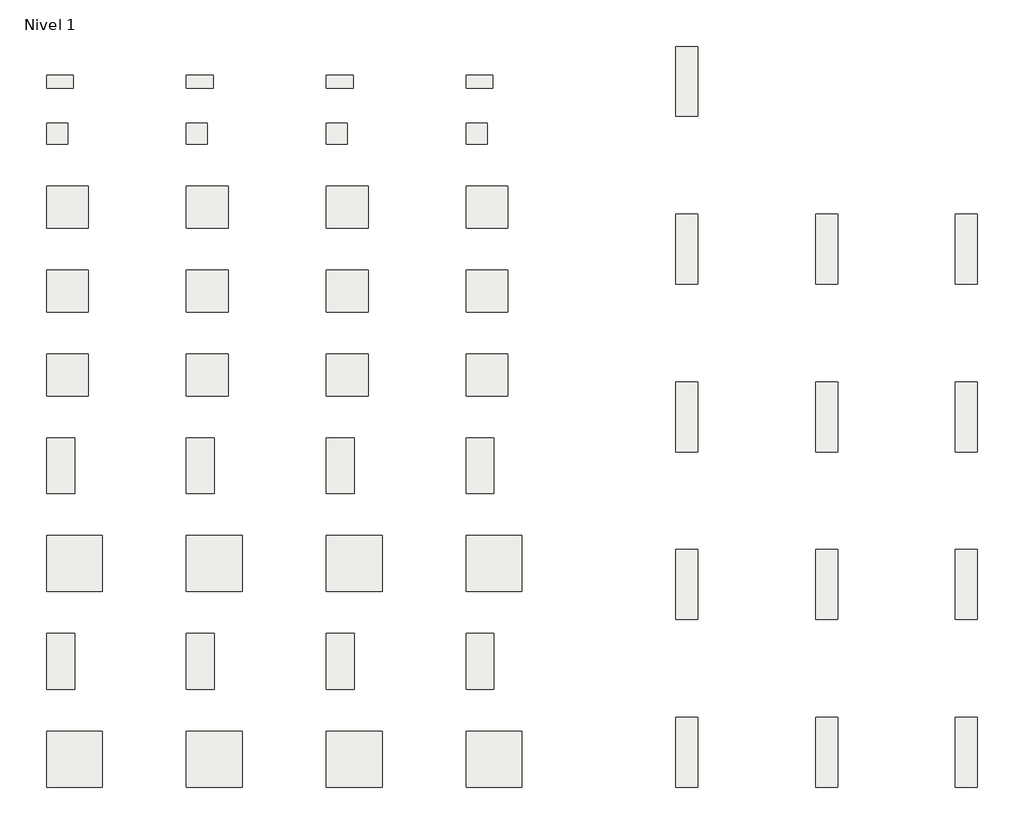
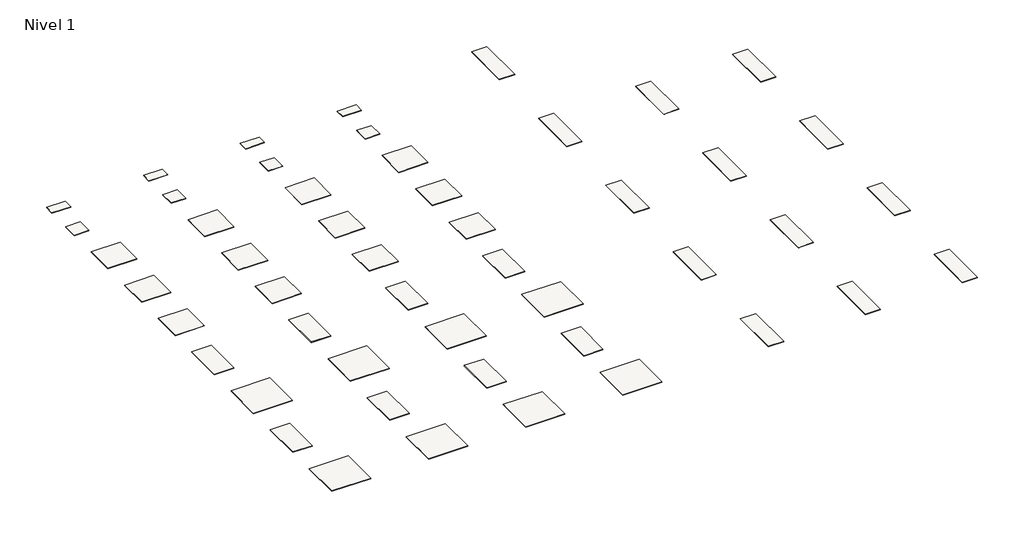
# One storey: 49 slabs.
"""IFC4 building model written with IfcOpenShell, lengths in millimetres."""

from ifc_helpers import new_model, si_unit, frame, origin, place, context, project, spatial, polyline, outline, extrude, element, save

model = new_model("IFC4")

# Units and contexts
model_context = context("Model", 3, world=origin())
ifc_project = project(units=[si_unit("LENGTHUNIT", "METRE", prefix="MILLI")], contexts=[model_context])

# Site, building, storey
site = spatial("IfcSite", under=ifc_project)
building = spatial("IfcBuilding", under=site)
storey = spatial("IfcBuildingStorey", under=building, Name="Nivel 1", Elevation=0.0)

# Slabs
placement = place(None, origin())
element("IfcSlab", 1, at=placement, inside=storey, context=model_context, shape_type="SweptSolid", body=[
    extrude(outline(polyline([(0.0, 192.0), (384.0, 192.0), (384.0, 0.0), (0.0, 0.0), (0.0, 192.0)])), frame((0.0, 0.0, -10.0), z_axis=(0.0, 0.0, 1.0), x_axis=(1.0, 0.0, 0.0)), (0.0, 0.0, 1.0), 10.0),
])
element("IfcSlab", 2, at=placement, inside=storey, context=model_context, shape_type="SweptSolid", body=[
    extrude(outline(polyline([(2000.0, 192.0), (2384.0, 192.0), (2384.0, 0.0), (2000.0, 0.0), (2000.0, 192.0)])), frame((0.0, 0.0, -10.0), z_axis=(0.0, 0.0, 1.0), x_axis=(1.0, 0.0, 0.0)), (0.0, 0.0, 1.0), 10.0),
])
element("IfcSlab", 3, at=placement, inside=storey, context=model_context, shape_type="SweptSolid", body=[
    extrude(outline(polyline([(4000.0, 192.0), (4384.0, 192.0), (4384.0, 0.0), (4000.0, 0.0), (4000.0, 192.0)])), frame((0.0, 0.0, -10.0), z_axis=(0.0, 0.0, 1.0), x_axis=(1.0, 0.0, 0.0)), (0.0, 0.0, 1.0), 10.0),
])
element("IfcSlab", 4, at=placement, inside=storey, context=model_context, shape_type="SweptSolid", body=[
    extrude(outline(polyline([(6000.0, 192.0), (6384.0, 192.0), (6384.0, 0.0), (6000.0, 0.0), (6000.0, 192.0)])), frame((0.0, 0.0, -10.0), z_axis=(0.0, 0.0, 1.0), x_axis=(1.0, 0.0, 0.0)), (0.0, 0.0, 1.0), 10.0),
])
element("IfcSlab", 5, at=placement, inside=storey, context=model_context, shape_type="SweptSolid", body=[
    extrude(outline(polyline([(0.0, -500.0), (300.0, -500.0), (300.0, -800.0), (0.0, -800.0), (0.0, -500.0)])), frame((0.0, 0.0, -10.0), z_axis=(0.0, 0.0, 1.0), x_axis=(1.0, 0.0, 0.0)), (0.0, 0.0, 1.0), 10.0),
])
element("IfcSlab", 6, at=placement, inside=storey, context=model_context, shape_type="SweptSolid", body=[
    extrude(outline(polyline([(2000.0, -500.0), (2300.0, -500.0), (2300.0, -800.0), (2000.0, -800.0), (2000.0, -500.0)])), frame((0.0, 0.0, -10.0), z_axis=(0.0, 0.0, 1.0), x_axis=(1.0, 0.0, 0.0)), (0.0, 0.0, 1.0), 10.0),
])
element("IfcSlab", 7, at=placement, inside=storey, context=model_context, shape_type="SweptSolid", body=[
    extrude(outline(polyline([(4000.0, -500.0), (4300.0, -500.0), (4300.0, -800.0), (4000.0, -800.0), (4000.0, -500.0)])), frame((0.0, 0.0, -10.0), z_axis=(0.0, 0.0, 1.0), x_axis=(1.0, 0.0, 0.0)), (0.0, 0.0, 1.0), 10.0),
])
element("IfcSlab", 8, at=placement, inside=storey, context=model_context, shape_type="SweptSolid", body=[
    extrude(outline(polyline([(6000.0, -500.0), (6300.0, -500.0), (6300.0, -800.0), (6000.0, -800.0), (6000.0, -500.0)])), frame((0.0, 0.0, -10.0), z_axis=(0.0, 0.0, 1.0), x_axis=(1.0, 0.0, 0.0)), (0.0, 0.0, 1.0), 10.0),
])
element("IfcSlab", 9, at=placement, inside=storey, context=model_context, shape_type="SweptSolid", body=[
    extrude(outline(polyline([(0.0, -1400.0), (600.0, -1400.0), (600.0, -2000.0), (0.0, -2000.0), (0.0, -1400.0)])), frame((0.0, 0.0, -10.0), z_axis=(0.0, 0.0, 1.0), x_axis=(1.0, 0.0, 0.0)), (0.0, 0.0, 1.0), 10.0),
])
element("IfcSlab", 10, at=placement, inside=storey, context=model_context, shape_type="SweptSolid", body=[
    extrude(outline(polyline([(2000.0, -1400.0), (2600.0, -1400.0), (2600.0, -2000.0), (2000.0, -2000.0), (2000.0, -1400.0)])), frame((0.0, 0.0, -10.0), z_axis=(0.0, 0.0, 1.0), x_axis=(1.0, 0.0, 0.0)), (0.0, 0.0, 1.0), 10.0),
])
element("IfcSlab", 11, at=placement, inside=storey, context=model_context, shape_type="SweptSolid", body=[
    extrude(outline(polyline([(4000.0, -1400.0), (4600.0, -1400.0), (4600.0, -2000.0), (4000.0, -2000.0), (4000.0, -1400.0)])), frame((0.0, 0.0, -10.0), z_axis=(0.0, 0.0, 1.0), x_axis=(1.0, 0.0, 0.0)), (0.0, 0.0, 1.0), 10.0),
])
element("IfcSlab", 12, at=placement, inside=storey, context=model_context, shape_type="SweptSolid", body=[
    extrude(outline(polyline([(6000.0, -1400.0), (6600.0, -1400.0), (6600.0, -2000.0), (6000.0, -2000.0), (6000.0, -1400.0)])), frame((0.0, 0.0, -10.0), z_axis=(0.0, 0.0, 1.0), x_axis=(1.0, 0.0, 0.0)), (0.0, 0.0, 1.0), 10.0),
])
element("IfcSlab", 13, at=placement, inside=storey, context=model_context, shape_type="SweptSolid", body=[
    extrude(outline(polyline([(0.0, -2600.0), (600.0, -2600.0), (600.0, -3200.0), (0.0, -3200.0), (0.0, -2600.0)])), frame((0.0, 0.0, -10.0), z_axis=(0.0, 0.0, 1.0), x_axis=(1.0, 0.0, 0.0)), (0.0, 0.0, 1.0), 10.0),
])
element("IfcSlab", 14, at=placement, inside=storey, context=model_context, shape_type="SweptSolid", body=[
    extrude(outline(polyline([(2000.0, -2600.0), (2600.0, -2600.0), (2600.0, -3200.0), (2000.0, -3200.0), (2000.0, -2600.0)])), frame((0.0, 0.0, -10.0), z_axis=(0.0, 0.0, 1.0), x_axis=(1.0, 0.0, 0.0)), (0.0, 0.0, 1.0), 10.0),
])
element("IfcSlab", 15, at=placement, inside=storey, context=model_context, shape_type="SweptSolid", body=[
    extrude(outline(polyline([(4000.0, -2600.0), (4600.0, -2600.0), (4600.0, -3200.0), (4000.0, -3200.0), (4000.0, -2600.0)])), frame((0.0, 0.0, -10.0), z_axis=(0.0, 0.0, 1.0), x_axis=(1.0, 0.0, 0.0)), (0.0, 0.0, 1.0), 10.0),
])
element("IfcSlab", 16, at=placement, inside=storey, context=model_context, shape_type="SweptSolid", body=[
    extrude(outline(polyline([(6000.0, -2600.0), (6600.0, -2600.0), (6600.0, -3200.0), (6000.0, -3200.0), (6000.0, -2600.0)])), frame((0.0, 0.0, -10.0), z_axis=(0.0, 0.0, 1.0), x_axis=(1.0, 0.0, 0.0)), (0.0, 0.0, 1.0), 10.0),
])
element("IfcSlab", 17, at=placement, inside=storey, context=model_context, shape_type="SweptSolid", body=[
    extrude(outline(polyline([(0.0, -3800.0), (600.0, -3800.0), (600.0, -4400.0), (0.0, -4400.0), (0.0, -3800.0)])), frame((0.0, 0.0, -10.0), z_axis=(0.0, 0.0, 1.0), x_axis=(1.0, 0.0, 0.0)), (0.0, 0.0, 1.0), 10.0),
])
element("IfcSlab", 18, at=placement, inside=storey, context=model_context, shape_type="SweptSolid", body=[
    extrude(outline(polyline([(2000.0, -3800.0), (2600.0, -3800.0), (2600.0, -4400.0), (2000.0, -4400.0), (2000.0, -3800.0)])), frame((0.0, 0.0, -10.0), z_axis=(0.0, 0.0, 1.0), x_axis=(1.0, 0.0, 0.0)), (0.0, 0.0, 1.0), 10.0),
])
element("IfcSlab", 19, at=placement, inside=storey, context=model_context, shape_type="SweptSolid", body=[
    extrude(outline(polyline([(4000.0, -3800.0), (4600.0, -3800.0), (4600.0, -4400.0), (4000.0, -4400.0), (4000.0, -3800.0)])), frame((0.0, 0.0, -10.0), z_axis=(0.0, 0.0, 1.0), x_axis=(1.0, 0.0, 0.0)), (0.0, 0.0, 1.0), 10.0),
])
element("IfcSlab", 20, at=placement, inside=storey, context=model_context, shape_type="SweptSolid", body=[
    extrude(outline(polyline([(6000.0, -3800.0), (6600.0, -3800.0), (6600.0, -4400.0), (6000.0, -4400.0), (6000.0, -3800.0)])), frame((0.0, 0.0, -10.0), z_axis=(0.0, 0.0, 1.0), x_axis=(1.0, 0.0, 0.0)), (0.0, 0.0, 1.0), 10.0),
])
element("IfcSlab", 21, at=placement, inside=storey, context=model_context, shape_type="SweptSolid", body=[
    extrude(outline(polyline([(0.0, -5000.0), (400.0, -5000.0), (400.0, -5800.0), (0.0, -5800.0), (0.0, -5000.0)])), frame((0.0, 0.0, -11.3), z_axis=(0.0, 0.0, 1.0), x_axis=(1.0, 0.0, 0.0)), (0.0, 0.0, 1.0), 11.3),
])
element("IfcSlab", 22, at=placement, inside=storey, context=model_context, shape_type="SweptSolid", body=[
    extrude(outline(polyline([(0.0, -6400.0), (800.0, -6400.0), (800.0, -7200.0), (0.0, -7200.0), (0.0, -6400.0)])), frame((0.0, 0.0, -11.3), z_axis=(0.0, 0.0, 1.0), x_axis=(1.0, 0.0, 0.0)), (0.0, 0.0, 1.0), 11.3),
])
element("IfcSlab", 23, at=placement, inside=storey, context=model_context, shape_type="SweptSolid", body=[
    extrude(outline(polyline([(2000.0, -5000.0), (2400.0, -5000.0), (2400.0, -5800.0), (2000.0, -5800.0), (2000.0, -5000.0)])), frame((0.0, 0.0, -11.3), z_axis=(0.0, 0.0, 1.0), x_axis=(1.0, 0.0, 0.0)), (0.0, 0.0, 1.0), 11.3),
])
element("IfcSlab", 24, at=placement, inside=storey, context=model_context, shape_type="SweptSolid", body=[
    extrude(outline(polyline([(2000.0, -6400.0), (2800.0, -6400.0), (2800.0, -7200.0), (2000.0, -7200.0), (2000.0, -6400.0)])), frame((0.0, 0.0, -11.3), z_axis=(0.0, 0.0, 1.0), x_axis=(1.0, 0.0, 0.0)), (0.0, 0.0, 1.0), 11.3),
])
element("IfcSlab", 25, at=placement, inside=storey, context=model_context, shape_type="SweptSolid", body=[
    extrude(outline(polyline([(4000.0, -5000.0), (4400.0, -5000.0), (4400.0, -5800.0), (4000.0, -5800.0), (4000.0, -5000.0)])), frame((0.0, 0.0, -11.3), z_axis=(0.0, 0.0, 1.0), x_axis=(1.0, 0.0, 0.0)), (0.0, 0.0, 1.0), 11.3),
])
element("IfcSlab", 26, at=placement, inside=storey, context=model_context, shape_type="SweptSolid", body=[
    extrude(outline(polyline([(4000.0, -6400.0), (4800.0, -6400.0), (4800.0, -7200.0), (4000.0, -7200.0), (4000.0, -6400.0)])), frame((0.0, 0.0, -11.3), z_axis=(0.0, 0.0, 1.0), x_axis=(1.0, 0.0, 0.0)), (0.0, 0.0, 1.0), 11.3),
])
element("IfcSlab", 27, at=placement, inside=storey, context=model_context, shape_type="SweptSolid", body=[
    extrude(outline(polyline([(6000.0, -5000.0), (6400.0, -5000.0), (6400.0, -5800.0), (6000.0, -5800.0), (6000.0, -5000.0)])), frame((0.0, 0.0, -11.3), z_axis=(0.0, 0.0, 1.0), x_axis=(1.0, 0.0, 0.0)), (0.0, 0.0, 1.0), 11.3),
])
element("IfcSlab", 28, at=placement, inside=storey, context=model_context, shape_type="SweptSolid", body=[
    extrude(outline(polyline([(6000.0, -6400.0), (6800.0, -6400.0), (6800.0, -7200.0), (6000.0, -7200.0), (6000.0, -6400.0)])), frame((0.0, 0.0, -11.3), z_axis=(0.0, 0.0, 1.0), x_axis=(1.0, 0.0, 0.0)), (0.0, 0.0, 1.0), 11.3),
])
element("IfcSlab", 29, at=placement, inside=storey, context=model_context, shape_type="SweptSolid", body=[
    extrude(outline(polyline([(0.0, -7800.0), (400.0, -7800.0), (400.0, -8600.0), (0.0, -8600.0), (0.0, -7800.0)])), frame((0.0, 0.0, -11.3), z_axis=(0.0, 0.0, 1.0), x_axis=(1.0, 0.0, 0.0)), (0.0, 0.0, 1.0), 11.3),
])
element("IfcSlab", 30, at=placement, inside=storey, context=model_context, shape_type="SweptSolid", body=[
    extrude(outline(polyline([(0.0, -9200.0), (800.0, -9200.0), (800.0, -10000.0), (0.0, -10000.0), (0.0, -9200.0)])), frame((0.0, 0.0, -11.3), z_axis=(0.0, 0.0, 1.0), x_axis=(1.0, 0.0, 0.0)), (0.0, 0.0, 1.0), 11.3),
])
element("IfcSlab", 31, at=placement, inside=storey, context=model_context, shape_type="SweptSolid", body=[
    extrude(outline(polyline([(2000.0, -7800.0), (2400.0, -7800.0), (2400.0, -8600.0), (2000.0, -8600.0), (2000.0, -7800.0)])), frame((0.0, 0.0, -11.3), z_axis=(0.0, 0.0, 1.0), x_axis=(1.0, 0.0, 0.0)), (0.0, 0.0, 1.0), 11.3),
])
element("IfcSlab", 32, at=placement, inside=storey, context=model_context, shape_type="SweptSolid", body=[
    extrude(outline(polyline([(2000.0, -9200.0), (2800.0, -9200.0), (2800.0, -10000.0), (2000.0, -10000.0), (2000.0, -9200.0)])), frame((0.0, 0.0, -11.3), z_axis=(0.0, 0.0, 1.0), x_axis=(1.0, 0.0, 0.0)), (0.0, 0.0, 1.0), 11.3),
])
element("IfcSlab", 33, at=placement, inside=storey, context=model_context, shape_type="SweptSolid", body=[
    extrude(outline(polyline([(4000.0, -7800.0), (4400.0, -7800.0), (4400.0, -8600.0), (4000.0, -8600.0), (4000.0, -7800.0)])), frame((0.0, 0.0, -11.3), z_axis=(0.0, 0.0, 1.0), x_axis=(1.0, 0.0, 0.0)), (0.0, 0.0, 1.0), 11.3),
])
element("IfcSlab", 34, at=placement, inside=storey, context=model_context, shape_type="SweptSolid", body=[
    extrude(outline(polyline([(4000.0, -9200.0), (4800.0, -9200.0), (4800.0, -10000.0), (4000.0, -10000.0), (4000.0, -9200.0)])), frame((0.0, 0.0, -11.3), z_axis=(0.0, 0.0, 1.0), x_axis=(1.0, 0.0, 0.0)), (0.0, 0.0, 1.0), 11.3),
])
element("IfcSlab", 35, at=placement, inside=storey, context=model_context, shape_type="SweptSolid", body=[
    extrude(outline(polyline([(6000.0, -7800.0), (6400.0, -7800.0), (6400.0, -8600.0), (6000.0, -8600.0), (6000.0, -7800.0)])), frame((0.0, 0.0, -11.3), z_axis=(0.0, 0.0, 1.0), x_axis=(1.0, 0.0, 0.0)), (0.0, 0.0, 1.0), 11.3),
])
element("IfcSlab", 36, at=placement, inside=storey, context=model_context, shape_type="SweptSolid", body=[
    extrude(outline(polyline([(6000.0, -9200.0), (6800.0, -9200.0), (6800.0, -10000.0), (6000.0, -10000.0), (6000.0, -9200.0)])), frame((0.0, 0.0, -11.3), z_axis=(0.0, 0.0, 1.0), x_axis=(1.0, 0.0, 0.0)), (0.0, 0.0, 1.0), 11.3),
])
element("IfcSlab", 37, at=placement, inside=storey, context=model_context, shape_type="SweptSolid", body=[
    extrude(outline(polyline([(9000.0, -1800.0), (9315.0, -1800.0), (9315.0, -2800.0), (9000.0, -2800.0), (9000.0, -1800.0)])), frame((0.0, 0.0, -8.7), z_axis=(0.0, 0.0, 1.0), x_axis=(1.0, 0.0, 0.0)), (0.0, 0.0, 1.0), 8.7),
])
element("IfcSlab", 38, at=placement, inside=storey, context=model_context, shape_type="SweptSolid", body=[
    extrude(outline(polyline([(11000.0, -1800.0), (11315.0, -1800.0), (11315.0, -2800.0), (11000.0, -2800.0), (11000.0, -1800.0)])), frame((0.0, 0.0, -8.7), z_axis=(0.0, 0.0, 1.0), x_axis=(1.0, 0.0, 0.0)), (0.0, 0.0, 1.0), 8.7),
])
element("IfcSlab", 39, at=placement, inside=storey, context=model_context, shape_type="SweptSolid", body=[
    extrude(outline(polyline([(13000.0, -1800.0), (13315.0, -1800.0), (13315.0, -2800.0), (13000.0, -2800.0), (13000.0, -1800.0)])), frame((0.0, 0.0, -8.7), z_axis=(0.0, 0.0, 1.0), x_axis=(1.0, 0.0, 0.0)), (0.0, 0.0, 1.0), 8.7),
])
element("IfcSlab", 40, at=placement, inside=storey, context=model_context, shape_type="SweptSolid", body=[
    extrude(outline(polyline([(9000.0, -6600.0), (9315.0, -6600.0), (9315.0, -7600.0), (9000.0, -7600.0), (9000.0, -6600.0)])), frame((0.0, 0.0, -8.7), z_axis=(0.0, 0.0, 1.0), x_axis=(1.0, 0.0, 0.0)), (0.0, 0.0, 1.0), 8.7),
])
element("IfcSlab", 41, at=placement, inside=storey, context=model_context, shape_type="SweptSolid", body=[
    extrude(outline(polyline([(11000.0, -6600.0), (11315.0, -6600.0), (11315.0, -7600.0), (11000.0, -7600.0), (11000.0, -6600.0)])), frame((0.0, 0.0, -8.7), z_axis=(0.0, 0.0, 1.0), x_axis=(1.0, 0.0, 0.0)), (0.0, 0.0, 1.0), 8.7),
])
element("IfcSlab", 42, at=placement, inside=storey, context=model_context, shape_type="SweptSolid", body=[
    extrude(outline(polyline([(13000.0, -6600.0), (13315.0, -6600.0), (13315.0, -7600.0), (13000.0, -7600.0), (13000.0, -6600.0)])), frame((0.0, 0.0, -8.7), z_axis=(0.0, 0.0, 1.0), x_axis=(1.0, 0.0, 0.0)), (0.0, 0.0, 1.0), 8.7),
])
element("IfcSlab", 43, at=placement, inside=storey, context=model_context, shape_type="SweptSolid", body=[
    extrude(outline(polyline([(9000.0, -4200.0), (9315.0, -4200.0), (9315.0, -5200.0), (9000.0, -5200.0), (9000.0, -4200.0)])), frame((0.0, 0.0, -8.7), z_axis=(0.0, 0.0, 1.0), x_axis=(1.0, 0.0, 0.0)), (0.0, 0.0, 1.0), 8.7),
])
element("IfcSlab", 44, at=placement, inside=storey, context=model_context, shape_type="SweptSolid", body=[
    extrude(outline(polyline([(11000.0, -4200.0), (11315.0, -4200.0), (11315.0, -5200.0), (11000.0, -5200.0), (11000.0, -4200.0)])), frame((0.0, 0.0, -8.7), z_axis=(0.0, 0.0, 1.0), x_axis=(1.0, 0.0, 0.0)), (0.0, 0.0, 1.0), 8.7),
])
element("IfcSlab", 45, at=placement, inside=storey, context=model_context, shape_type="SweptSolid", body=[
    extrude(outline(polyline([(13000.0, -4200.0), (13315.0, -4200.0), (13315.0, -5200.0), (13000.0, -5200.0), (13000.0, -4200.0)])), frame((0.0, 0.0, -8.7), z_axis=(0.0, 0.0, 1.0), x_axis=(1.0, 0.0, 0.0)), (0.0, 0.0, 1.0), 8.7),
])
element("IfcSlab", 46, at=placement, inside=storey, context=model_context, shape_type="SweptSolid", body=[
    extrude(outline(polyline([(9000.0, -9000.0), (9315.0, -9000.0), (9315.0, -10000.0), (9000.0, -10000.0), (9000.0, -9000.0)])), frame((0.0, 0.0, -8.7), z_axis=(0.0, 0.0, 1.0), x_axis=(1.0, 0.0, 0.0)), (0.0, 0.0, 1.0), 8.7),
])
element("IfcSlab", 47, at=placement, inside=storey, context=model_context, shape_type="SweptSolid", body=[
    extrude(outline(polyline([(11000.0, -9000.0), (11315.0, -9000.0), (11315.0, -10000.0), (11000.0, -10000.0), (11000.0, -9000.0)])), frame((0.0, 0.0, -8.7), z_axis=(0.0, 0.0, 1.0), x_axis=(1.0, 0.0, 0.0)), (0.0, 0.0, 1.0), 8.7),
])
element("IfcSlab", 48, at=placement, inside=storey, context=model_context, shape_type="SweptSolid", body=[
    extrude(outline(polyline([(13000.0, -9000.0), (13315.0, -9000.0), (13315.0, -10000.0), (13000.0, -10000.0), (13000.0, -9000.0)])), frame((0.0, 0.0, -8.7), z_axis=(0.0, 0.0, 1.0), x_axis=(1.0, 0.0, 0.0)), (0.0, 0.0, 1.0), 8.7),
])
element("IfcSlab", 49, ObjectType="Golden Gate 315X1000 Rec.", at=placement, inside=storey, context=model_context, shape_type="SweptSolid", body=[
    extrude(outline(polyline([(9000.0, 600.0), (9315.0, 600.0), (9315.0, -400.0), (9000.0, -400.0), (9000.0, 600.0)])), frame((0.0, 0.0, -8.7), z_axis=(0.0, 0.0, 1.0), x_axis=(1.0, 0.0, 0.0)), (0.0, 0.0, 1.0), 8.7),
])

save(model, "model.ifc")
